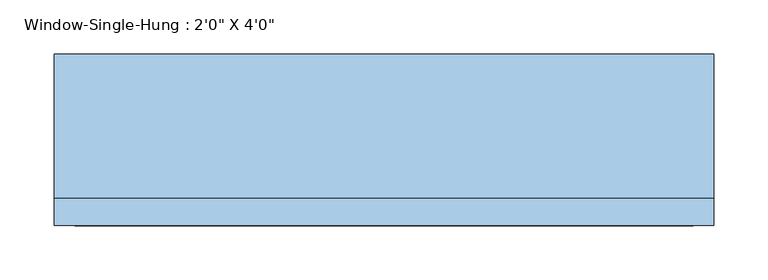
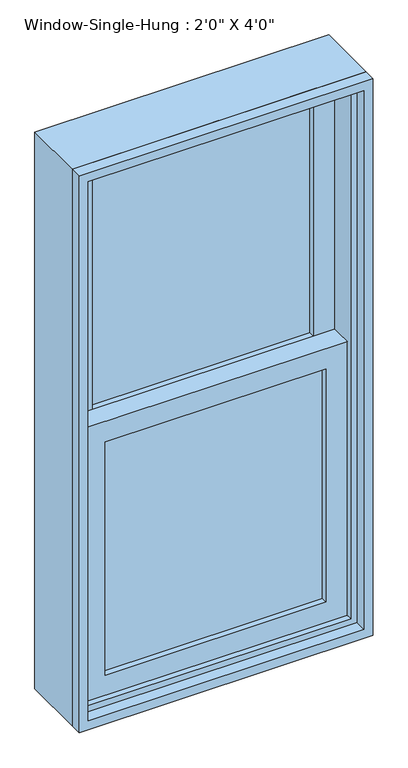
"""IFC4 building model written with IfcOpenShell, lengths in millimetres: window geometry."""

from ifc_helpers import new_model, si_unit, frame, origin, place, context, project, spatial, polyline, outline, extrude, source, transform, mapped, element, save


def window_11ea2e69(model_context):
    return source(origin(), model_context, "Body", "SweptSolid", [
        extrude(outline(polyline([(228.6, 0.0), (228.6, -6.35), (-228.6, -6.35), (-228.6, 0.0), (228.6, 0.0)])), frame((0.0, 0.0, 990.6), z_axis=(0.0, 0.0, 1.0), x_axis=(1.0, 0.0, 0.0)), (0.0, 0.0, 1.0), 511.175),
        extrude(outline(polyline([(-228.6, -12.7), (228.6, -12.7), (228.6, -19.05), (-228.6, -19.05), (-228.6, -12.7)])), frame((0.0, 0.0, 990.6), z_axis=(0.0, 0.0, 1.0), x_axis=(1.0, 0.0, 0.0)), (0.0, 0.0, 1.0), 511.175),
        extrude(outline(polyline([(228.6, 44.45), (228.6, 38.1), (-228.6, 38.1), (-228.6, 44.45), (228.6, 44.45)])), frame((0.0, 0.0, 1546.225), z_axis=(0.0, 0.0, 1.0), x_axis=(1.0, 0.0, 0.0)), (0.0, 0.0, 1.0), 511.175),
        extrude(outline(polyline([(-228.6, 31.75), (228.6, 31.75), (228.6, 25.4), (-228.6, 25.4), (-228.6, 31.75)])), frame((0.0, 0.0, 1546.225), z_axis=(0.0, 0.0, 1.0), x_axis=(1.0, 0.0, 0.0)), (0.0, 0.0, 1.0), 511.175),
        extrude(outline(polyline([(1546.225, -273.05), (946.15, -273.05), (946.15, 273.05), (1546.225, 273.05), (1546.225, -273.05)]), holes=[polyline([(1501.775, 228.6), (990.6, 228.6), (990.6, -228.6), (1501.775, -228.6), (1501.775, 228.6)])]), frame((0.0, -31.75, 0.0), z_axis=(0.0, 1.0, 0.0), x_axis=(0.0, 0.0, 1.0)), (0.0, 0.0, 1.0), 44.45),
        extrude(outline(polyline([(2101.85, -273.05), (1501.775, -273.05), (1501.775, 273.05), (2101.85, 273.05), (2101.85, -273.05)]), holes=[polyline([(2057.4, 228.6), (1546.225, 228.6), (1546.225, -228.6), (2057.4, -228.6), (2057.4, 228.6)])]), frame((0.0, 12.7, 0.0), z_axis=(0.0, 1.0, 0.0), x_axis=(0.0, 0.0, 1.0)), (0.0, 0.0, 1.0), 44.45),
        extrude(outline(polyline([(2133.6, -304.8), (914.4, -304.8), (914.4, 304.8), (2133.6, 304.8), (2133.6, -304.8)]), holes=[polyline([(2101.85, 273.05), (946.15, 273.05), (946.15, -273.05), (2101.85, -273.05), (2101.85, 273.05)])]), frame((0.0, -44.45, 0.0), z_axis=(0.0, 1.0, 0.0), x_axis=(0.0, 0.0, 1.0)), (0.0, 0.0, 1.0), 133.35),
        extrude(outline(polyline([(2133.6, 304.8), (2133.6, -304.8), (914.4, -304.8), (914.4, 304.8), (2133.6, 304.8)]), holes=[polyline([(2114.55, 285.75), (933.45, 285.75), (933.45, -285.75), (2114.55, -285.75), (2114.55, 285.75)])]), frame((0.0, -69.85, 0.0), z_axis=(0.0, 1.0, 0.0), x_axis=(0.0, 0.0, 1.0)), (0.0, 0.0, 1.0), 25.4),
    ])


if __name__ == "__main__":
    model = new_model("IFC4")
    model_context = context("Model", 3, world=origin())
    ifc_project = project(units=[si_unit("LENGTHUNIT", "METRE", prefix="MILLI")], contexts=[model_context])
    site = spatial("IfcSite", under=ifc_project)
    building = spatial("IfcBuilding", under=site)
    placement = place(None, origin())
    window_shape = window_11ea2e69(model_context)
    element("IfcWindow", 1, ObjectType="Window-Single-Hung : 2'0\" X 4'0\"", at=placement, inside=building, context=model_context, shape_type="MappedRepresentation", body=[
        mapped(window_shape, transform((0.0, 0.0, 0.0), x_axis=(1.0, 0.0, 0.0), y_axis=(0.0, 1.0, 0.0), z_axis=(0.0, 0.0, 1.0))),
    ])
    save(model, "model.ifc")
